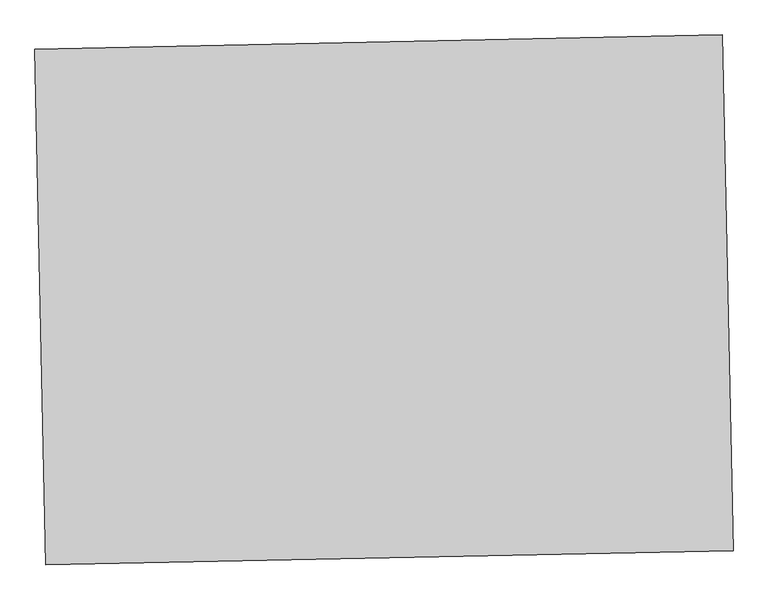
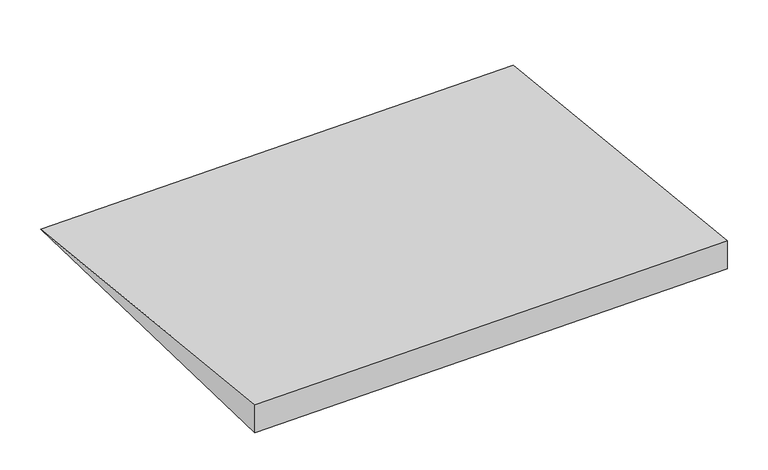
"""IFC4 building model written with IfcOpenShell, lengths in millimetres: ramp geometry."""

from ifc_helpers import new_model, si_unit, frame, origin, place, context, project, spatial, polyline, outline, extrude, source, transform, mapped, element, save


def ramp_4090a926(model_context):
    return source(origin(), model_context, "Body", "SweptSolid", [
        extrude(outline(polyline([(123.9669421, 1500.0), (0.0, 0.0), (0.0, 1500.0), (123.9669421, 1500.0)])), frame((-1976.1736689, 5786.996217, -8200.0), z_axis=(0.9997889601805963, 0.020543492911438036, 0.0), x_axis=(0.0, 0.0, 1.0)), (0.0, 0.0, 1.0), 2000.0),
    ])


if __name__ == "__main__":
    model = new_model("IFC4")
    model_context = context("Model", 3, world=origin())
    ifc_project = project(units=[si_unit("LENGTHUNIT", "METRE", prefix="MILLI")], contexts=[model_context])
    site = spatial("IfcSite", under=ifc_project)
    building = spatial("IfcBuilding", under=site)
    placement = place(None, origin())
    ramp_shape = ramp_4090a926(model_context)
    element("IfcRamp", 1, at=placement, inside=building, context=model_context, shape_type="MappedRepresentation", body=[
        mapped(ramp_shape, transform((0.0, 0.0, 0.0), x_axis=(1.0, 0.0, 0.0), y_axis=(0.0, 1.0, 0.0), z_axis=(0.0, 0.0, 1.0))),
    ])
    save(model, "model.ifc")
